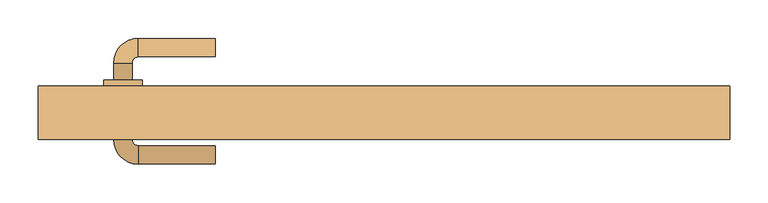
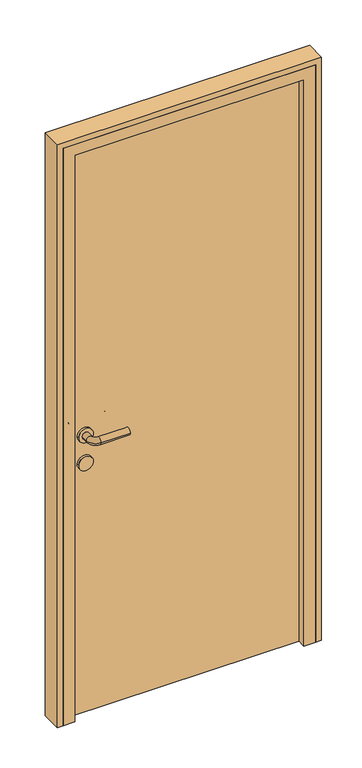
"""IFC4 building model written with IfcOpenShell, lengths in millimetres: door geometry."""

from ifc_helpers import new_model, si_unit, point, frame, frame_2d, origin, origin_with_axes, place, context, project, spatial, polyline, circle_curve, ellipse_curve, trimmed, segment, composite_curve, outline, extrude, faceted_brep, source, transform, mapped, element, save
from ifc_brep_helpers import plane_surface, cylinder_surface, revolved_surface, advanced_brep


def door_73fcf33d(model_context):
    return source(origin(), model_context, "Body", "SolidModel", [
        advanced_brep(
        [(-220.0, 302.0, 1000.0), (-220.0, 278.0, 1000.0), (-320.0, 302.0, 1000.0), (-320.0, 278.0, 1000.0), (-352.0, 270.0, 1000.0), (-328.0, 270.0, 1000.0), (-352.0, 248.0, 1000.0), (-328.0, 248.0, 1000.0), (-352.0, 170.0, 1000.0), (-328.0, 170.0, 1000.0), (-328.0, 192.0, 1000.0), (-352.0, 192.0, 1000.0), (-320.0, 138.0, 1000.0), (-320.0, 162.0, 1000.0), (-220.0, 138.0, 1000.0), (-220.0, 162.0, 1000.0), (-365.0, 248.0, 1000.0), (-315.0, 248.0, 1000.0), (-365.0, 192.0, 1000.0), (-315.0, 192.0, 1000.0)],
        [
            (0, 1, circle_curve(frame((-220.0, 290.0, 1000.0), z_axis=(1.0, 0.0, 0.0), x_axis=(0.0, -1.0, 0.0)), 12.0)),
            (1, 0, circle_curve(frame((-220.0, 290.0, 1000.0), z_axis=(1.0, 0.0, 0.0), x_axis=(0.0, -1.0, 0.0)), 12.0)),
            (0, 2),
            (2, 3, circle_curve(frame((-320.0, 290.0, 1000.0), z_axis=(1.0, 0.0, 0.0), x_axis=(0.0, -1.0, 0.0)), 12.0)),
            (3, 1),
            (3, 2, circle_curve(frame((-320.0, 290.0, 1000.0), z_axis=(1.0, 0.0, 0.0), x_axis=(0.0, -1.0, 0.0)), 12.0)),
            (2, 4, circle_curve(frame((-320.0, 270.0, 1000.0), z_axis=(0.0, 0.0, 1.0), x_axis=(0.0, 1.0, 0.0)), 32.0)),
            (4, 5, circle_curve(frame((-340.0, 270.0, 1000.0), z_axis=(0.0, 1.0, 0.0), x_axis=(1.0, 0.0, 0.0)), 12.0)),
            (5, 3, circle_curve(frame((-320.0, 270.0, 1000.0), z_axis=(0.0, 0.0, -1.0), x_axis=(0.0, 1.0, 0.0)), 8.0)),
            (5, 4, circle_curve(frame((-340.0, 270.0, 1000.0), z_axis=(0.0, 1.0, 0.0), x_axis=(1.0, 0.0, 0.0)), 12.0)),
            (4, 6),
            (6, 7, circle_curve(frame((-340.0, 248.0, 1000.0), z_axis=(0.0, 1.0, 0.0), x_axis=(1.0, 0.0, 0.0)), 12.0)),
            (7, 5),
            (8, 9, circle_curve(frame((-340.0, 170.0, 1000.0), z_axis=(0.0, 1.0, 0.0), x_axis=(1.0, 0.0, 0.0)), 12.0)),
            (9, 10),
            (10, 11, circle_curve(frame((-340.0, 192.0, 1000.0), z_axis=(0.0, -1.0, 0.0), x_axis=(1.0, 0.0, 0.0)), 12.0)),
            (11, 8),
            (7, 6, circle_curve(frame((-340.0, 248.0, 1000.0), z_axis=(0.0, 1.0, 0.0), x_axis=(1.0, 0.0, 0.0)), 12.0)),
            (9, 8, circle_curve(frame((-340.0, 170.0, 1000.0), z_axis=(0.0, 1.0, 0.0), x_axis=(1.0, 0.0, 0.0)), 12.0)),
            (11, 10, circle_curve(frame((-340.0, 192.0, 1000.0), z_axis=(0.0, -1.0, 0.0), x_axis=(1.0, 0.0, 0.0)), 12.0)),
            (8, 12, circle_curve(frame((-320.0, 170.0, 1000.0), z_axis=(0.0, 0.0, 1.0), x_axis=(-1.0, 0.0, 0.0)), 32.0)),
            (12, 13, circle_curve(frame((-320.0, 150.0, 1000.0), z_axis=(-1.0, 0.0, 0.0), x_axis=(0.0, 1.0, 0.0)), 12.0)),
            (13, 9, circle_curve(frame((-320.0, 170.0, 1000.0), z_axis=(0.0, 0.0, -1.0), x_axis=(-1.0, 0.0, 0.0)), 8.0)),
            (13, 12, circle_curve(frame((-320.0, 150.0, 1000.0), z_axis=(-1.0, 0.0, 0.0), x_axis=(0.0, 1.0, 0.0)), 12.0)),
            (14, 15, circle_curve(frame((-220.0, 150.0, 1000.0), z_axis=(1.0, 0.0, 0.0), x_axis=(0.0, 1.0, 0.0)), 12.0)),
            (15, 14, circle_curve(frame((-220.0, 150.0, 1000.0), z_axis=(1.0, 0.0, 0.0), x_axis=(0.0, 1.0, 0.0)), 12.0)),
            (12, 14),
            (15, 13),
            (16, 17, circle_curve(frame((-340.0, 248.0, 1000.0), z_axis=(0.0, 1.0, 0.0), x_axis=(1.0, 0.0, 0.0)), 25.0)),
            (17, 16, circle_curve(frame((-340.0, 248.0, 1000.0), z_axis=(0.0, 1.0, 0.0), x_axis=(1.0, 0.0, 0.0)), 25.0)),
            (18, 19, circle_curve(frame((-340.0, 192.0, 1000.0), z_axis=(0.0, -1.0, 0.0), x_axis=(1.0, 0.0, 0.0)), 25.0)),
            (19, 18, circle_curve(frame((-340.0, 192.0, 1000.0), z_axis=(0.0, -1.0, 0.0), x_axis=(1.0, 0.0, 0.0)), 25.0)),
            (17, 19),
            (18, 16),
        ],
        [
            plane_surface(frame((-220.0, 290.0, 1000.0), z_axis=(1.0, 0.0, 0.0), x_axis=(0.0, 0.0, 1.0))),
            cylinder_surface(frame((-220.0, 290.0, 1000.0), z_axis=(1.0, 0.0, 0.0), x_axis=(0.0, -1.0, 0.0)), 12.0),
            revolved_surface(trimmed(ellipse_curve(frame((-320.0, 290.0, 1000.0), z_axis=(1.0, 0.0, 0.0), x_axis=(0.0, -1.0, 0.0)), 12.0, 12.0), [point((-320.0, 302.0, 1000.0))], [point((-320.0, 278.0, 1000.0))], True, "CARTESIAN"), (-320.0, 270.0, 1000.0), (0.0, 0.0, 1.0)),
            revolved_surface(trimmed(ellipse_curve(frame((-320.0, 290.0, 1000.0), z_axis=(1.0, 0.0, 0.0), x_axis=(0.0, -1.0, 0.0)), 12.0, 12.0), [point((-320.0, 278.0, 1000.0))], [point((-320.0, 302.0, 1000.0))], True, "CARTESIAN"), (-320.0, 270.0, 1000.0), (0.0, 0.0, 1.0)),
            cylinder_surface(frame((-340.0, 270.0, 1000.0), z_axis=(0.0, 1.0, 0.0), x_axis=(1.0, 0.0, 0.0)), 12.0),
            revolved_surface(trimmed(ellipse_curve(frame((-340.0, 170.0, 1000.0), z_axis=(0.0, 1.0, 0.0), x_axis=(1.0, 0.0, 0.0)), 12.0, 12.0), [point((-352.0, 170.0, 1000.0))], [point((-328.0, 170.0, 1000.0))], True, "CARTESIAN"), (-320.0, 170.0, 1000.0), (0.0, 0.0, 1.0)),
            revolved_surface(trimmed(ellipse_curve(frame((-340.0, 170.0, 1000.0), z_axis=(0.0, 1.0, 0.0), x_axis=(1.0, 0.0, 0.0)), 12.0, 12.0), [point((-328.0, 170.0, 1000.0))], [point((-352.0, 170.0, 1000.0))], True, "CARTESIAN"), (-320.0, 170.0, 1000.0), (0.0, 0.0, 1.0)),
            plane_surface(frame((-220.0, 150.0, 1000.0), z_axis=(1.0, 0.0, 0.0), x_axis=(0.0, 0.0, 1.0))),
            cylinder_surface(frame((-320.0, 150.0, 1000.0), z_axis=(-1.0, 0.0, 0.0), x_axis=(0.0, 1.0, 0.0)), 12.0),
            plane_surface(frame((-315.0, 248.0, 1000.0), z_axis=(0.0, 1.0, 0.0), x_axis=(0.0, 0.0, -1.0))),
            plane_surface(frame((-315.0, 192.0, 1000.0), z_axis=(0.0, -1.0, 0.0), x_axis=(0.0, 0.0, 1.0))),
            cylinder_surface(frame((-340.0, 248.0, 1000.0), z_axis=(0.0, -1.0, 0.0), x_axis=(1.0, 0.0, 0.0)), 25.0),
        ],
        [
            (0, [[1, 2]]),
            (1, [[-1, 3, 4, 5]]),
            (1, [[-2, -5, 6, -3]]),
            (2, [[-4, 7, 8, 9]]),
            (3, [[-6, -9, 10, -7]]),
            (4, [[-8, 11, 12, 13]]),
            (4, [[14, 15, 16, 17]]),
            (4, [[-10, -13, 18, -11]]),
            (4, [[19, -17, 20, -15]]),
            (5, [[-14, 21, 22, 23]]),
            (6, [[-19, -23, 24, -21]]),
            (7, [[25, 26]]),
            (8, [[-22, 27, -26, 28]]),
            (8, [[-24, -28, -25, -27]]),
            (9, [[29, 30], [-12, -18]]),
            (10, [[31, 32], [-16, -20]]),
            (11, [[-30, 33, -31, 34]]),
            (11, [[-29, -34, -32, -33]]),
        ],
    ),
        extrude(outline(composite_curve([segment(trimmed(circle_curve(frame_2d((900.0, -340.0)), 25.0), [point((900.0, -365.0))], [point((900.0, -315.0))], False, "CARTESIAN"), True, "CONTINUOUS"), segment(trimmed(circle_curve(frame_2d((900.0, -340.0)), 25.0), [point((900.0, -315.0))], [point((900.0, -365.0))], False, "CARTESIAN"), True, "CONTINUOUS")], self_intersect=False)), frame((0.0, 192.0, 0.0), z_axis=(0.0, 1.0, 0.0), x_axis=(0.0, 0.0, 1.0)), (0.0, 0.0, 1.0), 56.0),
        extrude(outline(polyline([(400.0, 200.0), (-400.0, 200.0), (-400.0, 240.0), (400.0, 240.0), (400.0, 200.0)])), origin_with_axes(), (0.0, 0.0, 1.0), 2050.0),
        extrude(outline(polyline([(0.0, 450.0), (2100.0, 450.0), (2100.0, -450.0), (0.0, -450.0), (0.0, -430.0), (2080.0, -430.0), (2080.0, 430.0), (0.0, 430.0), (0.0, 450.0)])), frame((0.0, 170.0, 0.0), z_axis=(0.0, 1.0, 0.0), x_axis=(0.0, 0.0, 1.0)), (0.0, 0.0, 1.0), 70.0),
        faceted_brep([(-430.0, 170.0, 0.0), (-430.0, 240.0, 0.0), (-400.0, 240.0, 0.0), (-400.0, 200.0, 0.0), (-390.0, 200.0, 0.0), (-390.0, 170.0, 0.0), (-430.0, 170.0, 2080.0), (-430.0, 240.0, 2080.0), (430.0, 240.0, 2080.0), (430.0, 240.0, 0.0), (400.0, 240.0, 0.0), (400.0, 240.0, 2050.0), (-400.0, 240.0, 2050.0), (-400.0, 200.0, 2050.0), (400.0, 200.0, 2050.0), (400.0, 200.0, 0.0), (390.0, 200.0, 0.0), (390.0, 200.0, 2040.0), (-390.0, 200.0, 2040.0), (-390.0, 170.0, 2040.0), (390.0, 170.0, 2040.0), (390.0, 170.0, 0.0), (430.0, 170.0, 0.0), (430.0, 170.0, 2080.0)], [[[0, 1, 2, 3, 4, 5]], [[1, 0, 6, 7]], [[2, 1, 7, 8, 9, 10, 11, 12]], [[3, 2, 12, 13]], [[4, 3, 13, 14, 15, 16, 17, 18]], [[5, 4, 18, 19]], [[0, 5, 19, 20, 21, 22, 23, 6]], [[7, 6, 23, 8]], [[13, 12, 11, 14]], [[19, 18, 17, 20]], [[22, 21, 16, 15, 10, 9]], [[8, 23, 22, 9]], [[14, 11, 10, 15]], [[20, 17, 16, 21]]]),
    ])


if __name__ == "__main__":
    model = new_model("IFC4")
    model_context = context("Model", 3, world=origin())
    ifc_project = project(units=[si_unit("LENGTHUNIT", "METRE", prefix="MILLI")], contexts=[model_context])
    site = spatial("IfcSite", under=ifc_project)
    building = spatial("IfcBuilding", under=site)
    placement = place(None, origin())
    door_shape = door_73fcf33d(model_context)
    element("IfcDoor", 1, at=placement, inside=building, context=model_context, shape_type="MappedRepresentation", body=[
        mapped(door_shape, transform((0.0, 0.0, 0.0), x_axis=(1.0, 0.0, 0.0), y_axis=(0.0, 1.0, 0.0), z_axis=(0.0, 0.0, 1.0))),
    ])
    save(model, "model.ifc")
